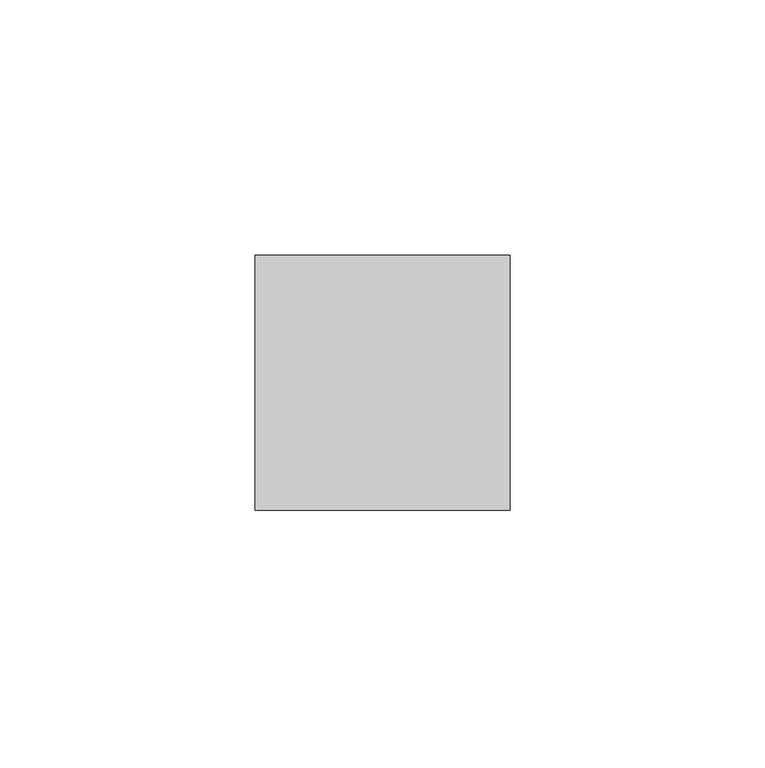
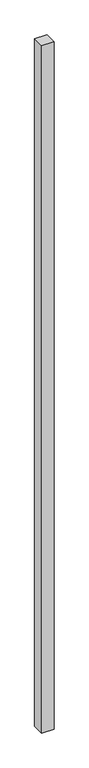
"""IFC4 building model written with IfcOpenShell, lengths in millimetres: member geometry."""

from ifc_helpers import new_model, si_unit, frame, origin, place, context, project, spatial, polyline, outline, extrude, source, transform, mapped, element, save


def member_dc13a1e3(model_context):
    return source(origin(), model_context, "Body", "SweptSolid", [
        extrude(outline(polyline([(0.0, 25.0), (0.0, -25.0), (-50.0, -25.0), (-50.0, 25.0), (0.0, 25.0)])), frame((0.0, 0.0, -2985.0), z_axis=(0.0, 0.0, 1.0), x_axis=(1.0, 0.0, 0.0)), (0.0, 0.0, 1.0), 2985.0),
    ])


if __name__ == "__main__":
    model = new_model("IFC4")
    model_context = context("Model", 3, world=origin())
    ifc_project = project(units=[si_unit("LENGTHUNIT", "METRE", prefix="MILLI")], contexts=[model_context])
    site = spatial("IfcSite", under=ifc_project)
    building = spatial("IfcBuilding", under=site)
    placement = place(None, origin())
    member_shape = member_dc13a1e3(model_context)
    element("IfcMember", 1, at=placement, inside=building, context=model_context, shape_type="MappedRepresentation", body=[
        mapped(member_shape, transform((0.0, 0.0, 0.0), x_axis=(1.0, 0.0, 0.0), y_axis=(0.0, 1.0, 0.0), z_axis=(0.0, 0.0, 1.0))),
    ])
    save(model, "model.ifc")
